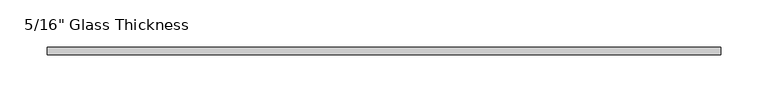
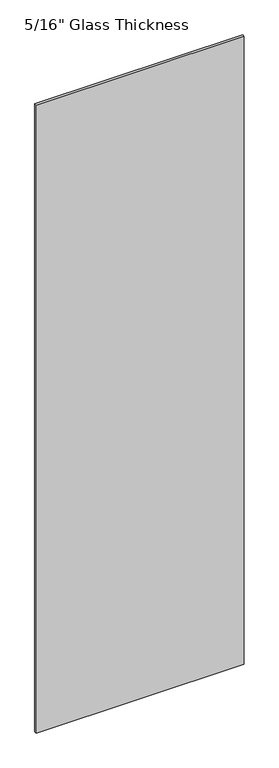
"""IFC4 building model written with IfcOpenShell, lengths in millimetres: plate geometry."""

from ifc_helpers import new_model, si_unit, origin, origin_with_axes, place, context, project, spatial, polyline, outline, extrude, source, transform, mapped, element, save


def plate_48a4bb59(model_context):
    return source(origin(), model_context, "Body", "SweptSolid", [
        extrude(outline(polyline([(355.5, 0.0), (-355.5, 0.0), (-355.5, 8.0), (355.5, 8.0), (355.5, 0.0)])), origin_with_axes(), (0.0, 0.0, 1.0), 2267.0),
    ])


if __name__ == "__main__":
    model = new_model("IFC4")
    model_context = context("Model", 3, world=origin())
    ifc_project = project(units=[si_unit("LENGTHUNIT", "METRE", prefix="MILLI")], contexts=[model_context])
    site = spatial("IfcSite", under=ifc_project)
    building = spatial("IfcBuilding", under=site)
    placement = place(None, origin())
    plate_shape = plate_48a4bb59(model_context)
    element("IfcPlate", 1, ObjectType="5/16\" Glass Thickness", at=placement, inside=building, context=model_context, shape_type="MappedRepresentation", body=[
        mapped(plate_shape, transform((0.0, 0.0, 0.0), x_axis=(1.0, 0.0, 0.0), y_axis=(0.0, 1.0, 0.0), z_axis=(0.0, 0.0, 1.0))),
    ])
    save(model, "model.ifc")
